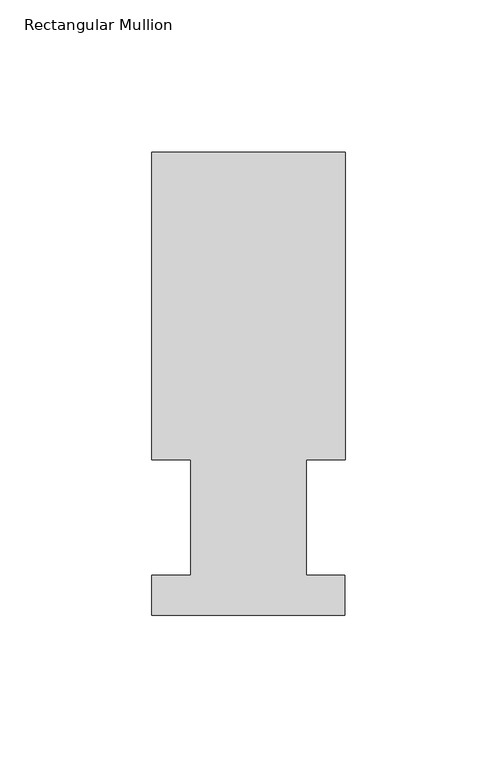
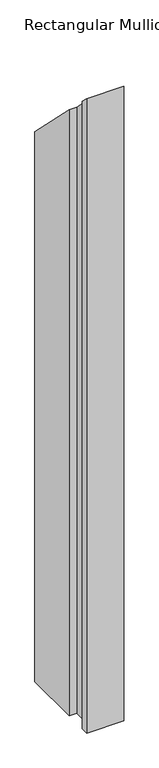
"""IFC4 building model written with IfcOpenShell, lengths in millimetres: member geometry, Rectangular Mullion."""

from ifc_helpers import new_model, si_unit, origin, place, context, project, spatial, faceted_brep, source, transform, mapped, element, save


def rectangular_mullion_42ce0bd0(model_context):
    return source(origin(), model_context, "Body", "Brep", [
        faceted_brep([(-63.5, 152.4896937, -1143.0134937), (0.0127, 152.4896937, -1143.0134937), (0.0127, 51.2960937, -1143.0134937), (-12.6873, 51.2960938, -1143.0134937), (-12.6873, 13.1960937, -1143.0134937), (0.0, 13.1960937, -1143.0134937), (0.0, 0.0134937, -1143.0134937), (-63.5, 0.0134937, -1143.0134937), (-63.5, 13.1960937, -1143.0134937), (-50.8000001, 13.1960937, -1143.0134937), (-50.8000001, 51.2960937, -1143.0134937), (-63.5, 51.2960937, -1143.0134937), (-63.5, 51.2960937, -51.2960937), (-63.5, 152.4896937, -152.4896937), (-50.8000001, 51.2960937, -51.2960937), (-50.8000001, 13.1960937, -13.1960937), (-63.5, 13.1960937, -13.1960937), (-63.5, 0.0134937, -0.0134937), (0.0, 0.0134937, -0.0134937), (0.0, 13.1960937, -13.1960937), (-12.6873, 13.1960937, -13.1960937), (-12.6873, 51.2960938, -51.2960938), (0.0127, 51.2960937, -51.2960937), (0.0127, 152.4896937, -152.4896937)], [[[0, 1, 2, 3, 4, 5, 6, 7, 8, 9, 10, 11]], [[12, 13, 0, 11]], [[14, 12, 11, 10]], [[15, 14, 10, 9]], [[16, 15, 9, 8]], [[17, 16, 8, 7]], [[18, 17, 7, 6]], [[19, 18, 6, 5]], [[20, 19, 5, 4]], [[21, 20, 4, 3]], [[22, 21, 3, 2]], [[23, 22, 2, 1]], [[13, 23, 1, 0]], [[13, 12, 14, 15, 16, 17, 18, 19, 20, 21, 22, 23]]]),
    ])


if __name__ == "__main__":
    model = new_model("IFC4")
    model_context = context("Model", 3, world=origin())
    ifc_project = project(units=[si_unit("LENGTHUNIT", "METRE", prefix="MILLI")], contexts=[model_context])
    site = spatial("IfcSite", under=ifc_project)
    building = spatial("IfcBuilding", under=site)
    placement = place(None, origin())
    rectangular_mullion_shape = rectangular_mullion_42ce0bd0(model_context)
    element("IfcMember", 1, ObjectType="Rectangular Mullion", at=placement, inside=building, context=model_context, shape_type="MappedRepresentation", body=[
        mapped(rectangular_mullion_shape, transform((0.0, 0.0, 0.0), x_axis=(1.0, 0.0, 0.0), y_axis=(0.0, 1.0, 0.0), z_axis=(0.0, 0.0, 1.0))),
    ])
    save(model, "model.ifc")
